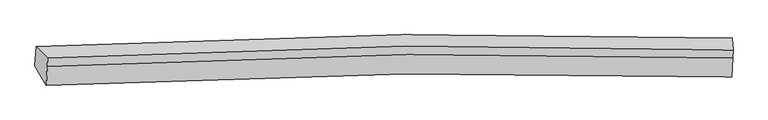
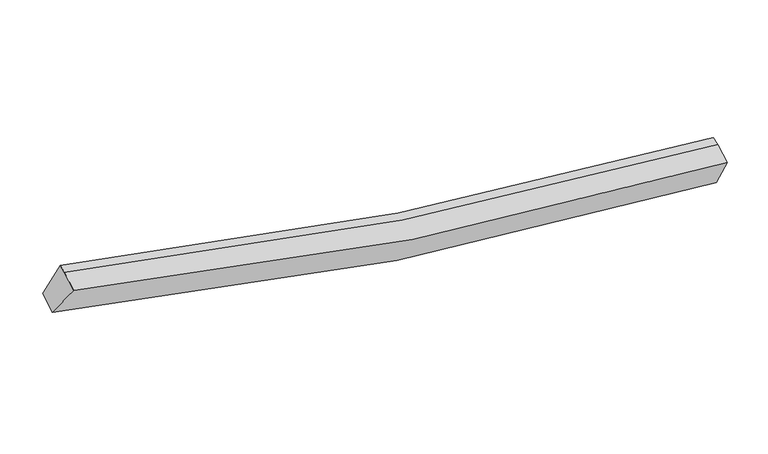
"""IFC4 building model written with IfcOpenShell, lengths in millimetres: proxy geometry."""

from ifc_helpers import new_model, si_unit, frame, origin, place, context, project, spatial, source, transform, mapped, element, save
from ifc_brep_helpers import plane_surface, spline_curve, spline_surface, advanced_brep


def generic_models_caf88899(model_context):
    return source(origin(), model_context, "Body", "AdvancedBrep", [
        advanced_brep(
        [(-6019.0547072, -2561.7107996, 4367.2854564), (-6226.9437156, -2206.3728543, 3776.5934006), (6724.7136113, -2049.1393311, 1804.5087271), (6733.2866915, -2407.6194545, 2428.8631964), (-5995.1726443, -2209.0655339, 4514.1309704), (6748.1468358, -2055.1164177, 2577.2324198), (-5989.205819, -2057.0388235, 4563.6514338), (6754.1136611, -1903.0897072, 2626.7528832), (-6201.1191268, -1842.9044615, 3931.7976335), (6740.1526199, -1685.834665, 1961.4669778)],
        [
            (0, 1),
            (1, 2, spline_curve(3, [(-6226.9437156, -2206.3728543, 3776.5934006), (-3979.855046397, -2083.783823781, 3142.907643172), (-1713.211794803, -2011.381343422, 2660.481482706), (2608.067152685, -1969.389687253, 2034.523800319), (4658.643010869, -1989.380993244, 1859.588403163), (6724.7136113, -2049.1393311, 1804.5087271)], [4, 2, 4], [0.0, 22.627025203515878, 42.76869056890308])),
            (2, 3),
            (3, 0, spline_curve(3, [(6733.2866915, -2407.6194545, 2428.8631964), (4690.209394618, -2348.881388674, 2484.304571119), (2666.533598432, -2329.197563343, 2656.942683387), (-1589.330331748, -2370.328588002, 3272.376252701), (-3816.435002281, -2441.376194635, 3745.878893789), (-6019.0547072, -2561.7107996, 4367.2854564)], [4, 2, 4], [0.0, 20.141665365387205, 42.76869056890308])),
            (4, 0),
            (3, 5),
            (5, 4, spline_curve(3, [(6748.1468358, -2055.1164177, 2577.2324198), (4708.039388157, -1994.365389144, 2646.493142644), (2686.601793617, -1973.606079444, 2826.329814506), (-1566.063129293, -2014.444062144, 3442.990219655), (-3792.398695285, -2086.519743488, 3908.786397497), (-5995.1726443, -2209.0655339, 4514.1309704)], [4, 2, 4], [0.0, 19.97540492957906, 42.415654163822644])),
            (6, 4),
            (5, 7),
            (7, 6, spline_curve(3, [(6754.1136611, -1903.0897072, 2626.7528832), (4714.123695222, -1839.345399711, 2696.988622364), (2692.748254733, -1817.002478872, 2877.341132765), (-1559.902170952, -1857.471108599, 3494.121848654), (-3786.299891704, -1931.13040207, 3959.40218863), (-5989.205819, -2057.0388235, 4563.6514338)], [4, 2, 4], [0.0, 19.962837565175498, 42.38896869816268])),
            (8, 6),
            (7, 9),
            (9, 8, spline_curve(3, [(6740.1526199, -1685.834665, 1961.4669778), (4678.173717237, -1623.040773206, 2037.269963861), (2630.53039593, -1601.431384601, 2223.039476442), (-1686.982975342, -1642.99706788, 2851.003593653), (-3953.09690342, -1716.963054312, 3322.010966931), (-6201.1191268, -1842.9044615, 3931.7976335)], [4, 2, 4], [0.0, 20.11727326055675, 42.71689652084931])),
            (1, 8),
            (9, 2),
        ],
        [
            spline_surface(3, 3, [[(-6019.0547072, -2561.7107996, 4367.2854564), (-3816.435002439, -2441.376194465, 3745.878893502), (-1589.330332109, -2370.328587793, 3272.376252432), (2666.533598753, -2329.197563528, 2656.942683626), (4690.209394668, -2348.881388491, 2484.304571353), (6733.2866915, -2407.6194545, 2428.8631964)], [(-6088.351043328, -2443.264817822, 4170.388104463), (-3870.908350335, -2322.178737558, 3544.888476628), (-1630.624153147, -2250.679506291, 3068.411329162), (2647.044783483, -2209.261604818, 2449.469722564), (4679.687266783, -2229.047923472, 2276.065848517), (6730.428998102, -2288.126080012, 2220.745039955)], [(-6157.647379472, -2324.818836078, 3973.490752537), (-3925.381698247, -2202.981280684, 3343.898059766), (-1671.917974124, -2131.030424776, 2864.446405868), (2627.555968274, -2089.325646095, 2241.996761478), (4669.165138893, -2109.214458517, 2067.827125716), (6727.571304698, -2168.632705588, 2012.626883545)], [(-6226.9437156, -2206.3728543, 3776.5934006), (-3979.855046143, -2083.783823776, 3142.907642892), (-1713.211795161, -2011.381343274, 2660.481482598), (2608.067153004, -1969.389687385, 2034.523800415), (4658.643011008, -1989.380993498, 1859.58840288), (6724.7136113, -2049.1393311, 1804.5087271)]], [4, 4], [4, 2, 4], [0.0, 2.3618169931014132], [0.0, 22.627025203515878, 42.76869056890308]),
            spline_surface(3, 3, [[(-5995.1726443, -2209.0655339, 4514.1309704), (-3792.39869498, -2086.519743476, 3908.786397795), (-1566.063129249, -2014.444061923, 3442.990219489), (2686.601793577, -1973.606079641, 2826.329814654), (4708.039387874, -1994.36538915, 2646.493142749), (6748.1468358, -2055.1164177, 2577.2324198)], [(-6003.133331932, -2326.613955795, 4465.182465738), (-3800.410797466, -2204.805227134, 3854.483896368), (-1573.818863517, -2133.072237201, 3386.118897139), (2679.912395321, -2092.136574258, 2769.867437648), (4702.096056797, -2112.537388942, 2592.430285621), (6743.193454359, -2172.617429978, 2527.776012004)], [(-6011.094019568, -2444.162377705, 4416.233961062), (-3808.422899954, -2323.090710807, 3800.181394928), (-1581.57459784, -2251.700412515, 3329.247574781), (2673.222997009, -2210.667068911, 2713.405060633), (4696.152725744, -2230.709388699, 2538.367428481), (6738.240072941, -2290.118442222, 2478.319604196)], [(-6019.0547072, -2561.7107996, 4367.2854564), (-3816.435002439, -2441.376194465, 3745.878893502), (-1589.330332109, -2370.328587793, 3272.376252432), (2666.533598753, -2329.197563528, 2656.942683626), (4690.209394668, -2348.881388491, 2484.304571353), (6733.2866915, -2407.6194545, 2428.8631964)]], [4, 4], [4, 2, 4], [0.0, 1.2955370098183652], [0.0, 22.440249234243584, 42.415654163822644]),
            spline_surface(3, 3, [[(-5989.205819, -2057.0388235, 4563.6514338), (-3786.29989134, -1931.130401839, 3959.402188828), (-1559.902171268, -1857.471108622, 3494.121848702), (2692.748255015, -1817.002478853, 2877.341132722), (4714.12369497, -1839.345399927, 2696.988622638), (6754.1136611, -1903.0897072, 2626.7528832)], [(-5991.194760747, -2107.714393664, 4547.144612673), (-3788.332825867, -1982.926849082, 3942.53025849), (-1561.955823938, -1909.795426387, 3477.07797231), (2690.699434526, -1869.203679114, 2860.337360045), (4712.095592625, -1891.018729665, 2680.156796014), (6752.124719353, -1953.765277364, 2610.246062073)], [(-5993.183702553, -2158.389963736, 4530.637791527), (-3790.365760453, -2034.723296233, 3925.658328133), (-1564.009476579, -1962.119744158, 3460.03409588), (2688.650614066, -1921.40487938, 2843.333587331), (4710.06749022, -1942.692059412, 2663.324969373), (6750.135777547, -2004.440847536, 2593.739240927)], [(-5995.1726443, -2209.0655339, 4514.1309704), (-3792.39869498, -2086.519743476, 3908.786397795), (-1566.063129249, -2014.444061923, 3442.990219489), (2686.601793577, -1973.606079641, 2826.329814654), (4708.039387874, -1994.36538915, 2646.493142749), (6748.1468358, -2055.1164177, 2577.2324198)]], [4, 4], [4, 2, 4], [0.0, 0.5413941668011752], [0.0, 22.42613113298718, 42.38896869816268]),
            spline_surface(3, 3, [[(-6201.1191268, -1842.9044615, 3931.7976335), (-3953.096903429, -1716.963054543, 3322.010966636), (-1686.98297561, -1642.997067582, 2851.003593653), (2630.530396168, -1601.431384866, 2223.039476442), (4678.173717267, -1623.040772992, 2037.269964165), (6740.1526199, -1685.834665, 1961.4669778)], [(-6130.481357541, -1914.282582162, 4142.415566947), (-3897.497899407, -1788.352170304, 3534.47470738), (-1644.622707481, -1714.488414602, 3065.376345321), (2651.269682466, -1673.288416202, 2441.14002852), (4690.157043172, -1695.142315319, 2257.176183662), (6744.806300304, -1758.253012416, 2183.228946272)], [(-6059.843588259, -1985.660702838, 4353.033500353), (-3841.898895362, -1859.741286079, 3746.938448084), (-1602.262439397, -1785.979761602, 3279.749097034), (2672.008968717, -1745.145447517, 2659.240580644), (4702.140369066, -1767.243857599, 2477.082403141), (6749.459980696, -1830.671359784, 2404.990914728)], [(-5989.205819, -2057.0388235, 4563.6514338), (-3786.29989134, -1931.130401839, 3959.402188828), (-1559.902171268, -1857.471108622, 3494.121848702), (2692.748255015, -1817.002478853, 2877.341132722), (4714.12369497, -1839.345399927, 2696.988622638), (6754.1136611, -1903.0897072, 2626.7528832)]], [4, 4], [4, 2, 4], [0.0, 2.263276127217248], [0.0, 22.59962326029256, 42.71689652084931]),
            spline_surface(3, 3, [[(-6226.9437156, -2206.3728543, 3776.5934006), (-3979.855046143, -2083.783823776, 3142.907642892), (-1713.211795161, -2011.381343274, 2660.481482598), (2608.067153004, -1969.389687385, 2034.523800415), (4658.643011008, -1989.380993498, 1859.58840288), (6724.7136113, -2049.1393311, 1804.5087271)], [(-6218.335519352, -2085.216723357, 3828.32814488), (-3970.935665257, -1961.510234022, 3202.608750787), (-1704.468855315, -1888.586584713, 2723.988852942), (2615.554900722, -1846.736919881, 2097.362359083), (4665.15324641, -1867.267586659, 1918.815589971), (6729.859947482, -1928.03777573, 1856.828143996)], [(-6209.727323048, -1964.060592443, 3880.06288922), (-3962.016284315, -1839.236644298, 3262.309858741), (-1695.725915457, -1765.791826144, 2787.496223309), (2623.04264845, -1724.08415237, 2160.200917774), (4671.663481865, -1745.154179831, 1978.042777074), (6735.006283718, -1806.93622037, 1909.147560904)], [(-6201.1191268, -1842.9044615, 3931.7976335), (-3953.096903429, -1716.963054543, 3322.010966636), (-1686.98297561, -1642.997067582, 2851.003593653), (2630.530396168, -1601.431384866, 2223.039476442), (4678.173717267, -1623.040772992, 2037.269964165), (6740.1526199, -1685.834665, 1961.4669778)]], [4, 4], [4, 2, 4], [0.0, 1.360967326265137], [0.0, 22.78965486280625, 43.076086592594045]),
            plane_surface(frame((6740.0826839, -2020.1599151, 2279.7648409), z_axis=(0.9991053401902389, -0.02927042412914722, -0.030524768216105884), x_axis=(-0.037292657752974426, -0.9501669405747001, -0.3095028961361007))),
            plane_surface(frame((-6086.2992026, -2175.4184946, 4230.6917789), z_axis=(-0.9523454250807569, -0.060034678515017495, 0.299055226845061), x_axis=(0.2887347338662632, -0.4935249240733223, 0.8204056330728109))),
        ],
        [
            (0, [[1, 2, 3, 4]]),
            (1, [[5, -4, 6, 7]]),
            (2, [[8, -7, 9, 10]]),
            (3, [[11, -10, 12, 13]]),
            (4, [[14, -13, 15, -2]]),
            (5, [[-9, -6, -3, -15, -12]]),
            (6, [[-1, -5, -8, -11, -14]]),
        ],
    ),
    ])


if __name__ == "__main__":
    model = new_model("IFC4")
    model_context = context("Model", 3, world=origin())
    ifc_project = project(units=[si_unit("LENGTHUNIT", "METRE", prefix="MILLI")], contexts=[model_context])
    site = spatial("IfcSite", under=ifc_project)
    building = spatial("IfcBuilding", under=site)
    placement = place(None, origin())
    generic_models_shape = generic_models_caf88899(model_context)
    element("IfcBuildingElementProxy", 1, Name="Generic Models", at=placement, inside=building, context=model_context, shape_type="MappedRepresentation", body=[
        mapped(generic_models_shape, transform((0.0, 0.0, 0.0), x_axis=(1.0, 0.0, 0.0), y_axis=(0.0, 1.0, 0.0), z_axis=(0.0, 0.0, 1.0))),
    ])
    save(model, "model.ifc")
